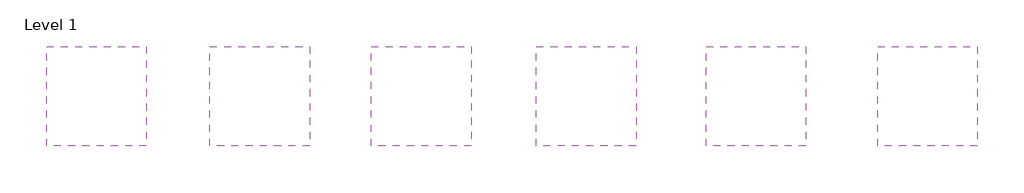
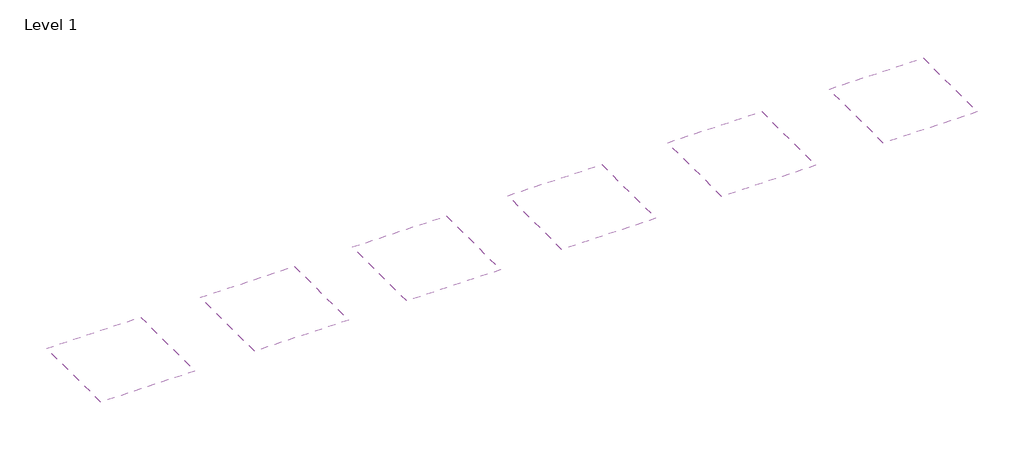
# One storey: 6 coverings.
"""IFC4 building model written with IfcOpenShell, lengths in millimetres."""

from ifc_helpers import new_model, si_unit, frame, origin, place, context, project, spatial, polyline, outline, extrude, element, save

model = new_model("IFC4")

# Units and contexts
model_context = context("Model", 3, world=origin())
ifc_project = project(units=[si_unit("LENGTHUNIT", "METRE", prefix="MILLI")], contexts=[model_context])

# Site, building, storey
site = spatial("IfcSite", under=ifc_project)
building = spatial("IfcBuilding", under=site)
storey = spatial("IfcBuildingStorey", under=building, Name="Level 1", Elevation=4000.0)

# Coverings
placement = place(None, origin())
element("IfcCovering", 1, at=placement, inside=storey, context=model_context, shape_type="SweptSolid", body=[
    extrude(outline(polyline([(-15072.2526574, 11569.0052628), (-15072.2526574, 10369.0052628), (-16272.2526574, 10369.0052628), (-16272.2526574, 11569.0052628), (-15072.2526574, 11569.0052628)])), frame((0.0, 0.0, 6600.0), z_axis=(0.0, 0.0, 1.0), x_axis=(1.0, 0.0, 0.0)), (0.0, 0.0, 1.0), 189.0),
])
element("IfcCovering", 2, at=placement, inside=storey, context=model_context, shape_type="SweptSolid", body=[
    extrude(outline(polyline([(-13112.2526574, 11569.0052628), (-13112.2526574, 10369.0052628), (-14312.2526574, 10369.0052628), (-14312.2526574, 11569.0052628), (-13112.2526574, 11569.0052628)])), frame((0.0, 0.0, 6600.0), z_axis=(0.0, 0.0, 1.0), x_axis=(1.0, 0.0, 0.0)), (0.0, 0.0, 1.0), 63.0),
])
element("IfcCovering", 3, at=placement, inside=storey, context=model_context, shape_type="SweptSolid", body=[
    extrude(outline(polyline([(-11172.2526574, 11569.0052628), (-11172.2526574, 10369.0052628), (-12372.2526574, 10369.0052628), (-12372.2526574, 11569.0052628), (-11172.2526574, 11569.0052628)])), frame((0.0, 0.0, 6600.0), z_axis=(0.0, 0.0, 1.0), x_axis=(1.0, 0.0, 0.0)), (0.0, 0.0, 1.0), 213.0),
])
element("IfcCovering", 4, at=placement, inside=storey, context=model_context, shape_type="SweptSolid", body=[
    extrude(outline(polyline([(-9192.2526574, 11569.0052628), (-9192.2526574, 10369.0052628), (-10392.2526574, 10369.0052628), (-10392.2526574, 11569.0052628), (-9192.2526574, 11569.0052628)])), frame((0.0, 0.0, 6600.0), z_axis=(0.0, 0.0, 1.0), x_axis=(1.0, 0.0, 0.0)), (0.0, 0.0, 1.0), 313.0),
])
element("IfcCovering", 5, at=placement, inside=storey, context=model_context, shape_type="SweptSolid", body=[
    extrude(outline(polyline([(-7152.2526574, 11569.0052628), (-7152.2526574, 10369.0052628), (-8352.2526574, 10369.0052628), (-8352.2526574, 11569.0052628), (-7152.2526574, 11569.0052628)])), frame((0.0, 0.0, 6600.0), z_axis=(0.0, 0.0, 1.0), x_axis=(1.0, 0.0, 0.0)), (0.0, 0.0, 1.0), 329.0),
])
element("IfcCovering", 6, at=placement, inside=storey, context=model_context, shape_type="SweptSolid", body=[
    extrude(outline(polyline([(-5092.2526574, 11569.0052628), (-5092.2526574, 10369.0052628), (-6292.2526574, 10369.0052628), (-6292.2526574, 11569.0052628), (-5092.2526574, 11569.0052628)])), frame((0.0, 0.0, 6600.0), z_axis=(0.0, 0.0, 1.0), x_axis=(1.0, 0.0, 0.0)), (0.0, 0.0, 1.0), 154.0),
])

save(model, "model.ifc")
